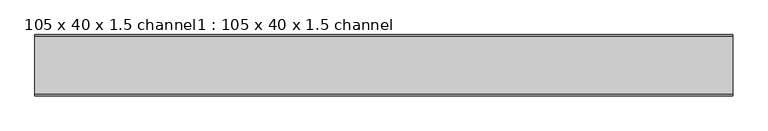
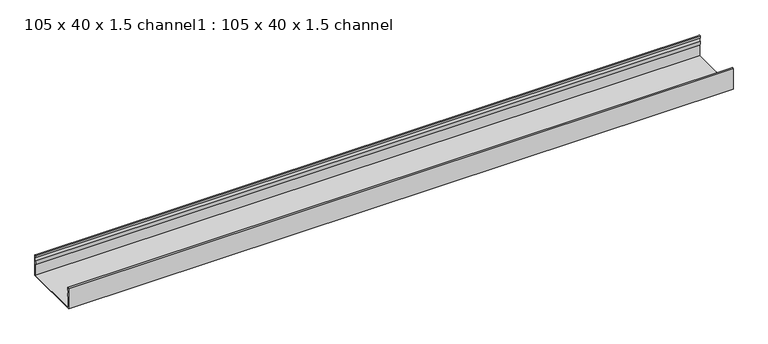
"""IFC4 building model written with IfcOpenShell, lengths in millimetres: proxy geometry, 105 x 40 x 1.5 channel1 : 105 x 40 x 1.5 channel."""

from ifc_helpers import new_model, si_unit, point, frame, frame_2d, origin, place, context, project, spatial, polyline, circle_curve, trimmed, segment, composite_curve, outline, extrude, source, transform, mapped, element, save


def proxy_105_x_40_x_1_5_channel1_105_x_40_x_1_5_channel_f76138f4(model_context):
    return source(origin(), model_context, "Body", "SweptSolid", [
        extrude(outline(composite_curve([segment(trimmed(circle_curve(frame_2d((-31247.5343538, 32.0)), 10.0), [point((-31237.9590458, 29.1166898))], [point((-31237.9590458, 34.8833102))], True, "CARTESIAN"), True, "CONTINUOUS"), segment(polyline([(-31237.9590458, 34.8833102), (-31238.5343538, 38.8)]), True, "CONTINUOUS"), segment(trimmed(circle_curve(frame_2d((-31237.3343538, 38.8)), 1.2), [point((-31238.5343538, 38.8))], [point((-31236.1343538, 38.8))], False, "CARTESIAN"), True, "CONTINUOUS"), segment(polyline([(-31236.1343538, 38.8), (-31236.1343538, 0.0), (-31341.4343538, 0.0), (-31341.4343538, 38.8)]), True, "CONTINUOUS"), segment(trimmed(circle_curve(frame_2d((-31340.2343538, 38.8)), 1.2), [point((-31341.4343538, 38.8))], [point((-31339.0343538, 38.8))], False, "CARTESIAN"), True, "CONTINUOUS"), segment(polyline([(-31339.0343538, 38.8), (-31339.6096617, 34.8833102)]), True, "CONTINUOUS"), segment(trimmed(circle_curve(frame_2d((-31330.0343538, 32.0)), 10.0), [point((-31339.6096617, 34.8833102))], [point((-31339.6096617, 29.1166898))], True, "CARTESIAN"), True, "CONTINUOUS"), segment(trimmed(circle_curve(frame_2d((-31349.0343538, 25.77376)), 10.0), [point((-31339.6096617, 29.1166898))], [point((-31340.0343538, 21.4148611))], False, "CARTESIAN"), True, "CONTINUOUS"), segment(polyline([(-31340.0343538, 21.4148611), (-31340.0343538, 1.4), (-31237.5343538, 1.4), (-31237.5343538, 21.4148611)]), True, "CONTINUOUS"), segment(trimmed(circle_curve(frame_2d((-31228.5343538, 25.77376)), 10.0), [point((-31237.5343538, 21.4148611))], [point((-31237.9590458, 29.1166898))], False, "CARTESIAN"), True, "CONTINUOUS")], self_intersect=False)), frame((3256.2644406, 0.0, 0.0), z_axis=(1.0, 0.0, 0.0), x_axis=(0.0, 1.0, 0.0)), (0.0, 0.0, 1.0), 1200.1845315),
    ])


if __name__ == "__main__":
    model = new_model("IFC4")
    model_context = context("Model", 3, world=origin())
    ifc_project = project(units=[si_unit("LENGTHUNIT", "METRE", prefix="MILLI")], contexts=[model_context])
    site = spatial("IfcSite", under=ifc_project)
    building = spatial("IfcBuilding", under=site)
    placement = place(None, origin())
    proxy_105_x_40_x_1_5_channel1_105_x_40_x_1_5_channel_shape = proxy_105_x_40_x_1_5_channel1_105_x_40_x_1_5_channel_f76138f4(model_context)
    element("IfcBuildingElementProxy", 1, Name="105 x 40 x 1.5 channel1 : 105 x 40 x 1.5 channel", ObjectType="105 x 40 x 1.5 channel1 : 105 x 40 x 1.5 channel", at=placement, inside=building, context=model_context, shape_type="MappedRepresentation", body=[
        mapped(proxy_105_x_40_x_1_5_channel1_105_x_40_x_1_5_channel_shape, transform((0.0, 0.0, 0.0), x_axis=(1.0, 0.0, 0.0), y_axis=(0.0, 1.0, 0.0), z_axis=(0.0, 0.0, 1.0))),
    ])
    save(model, "model.ifc")
